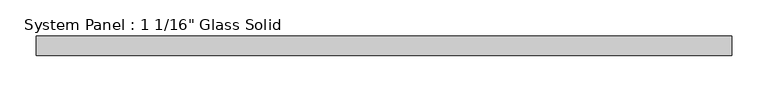
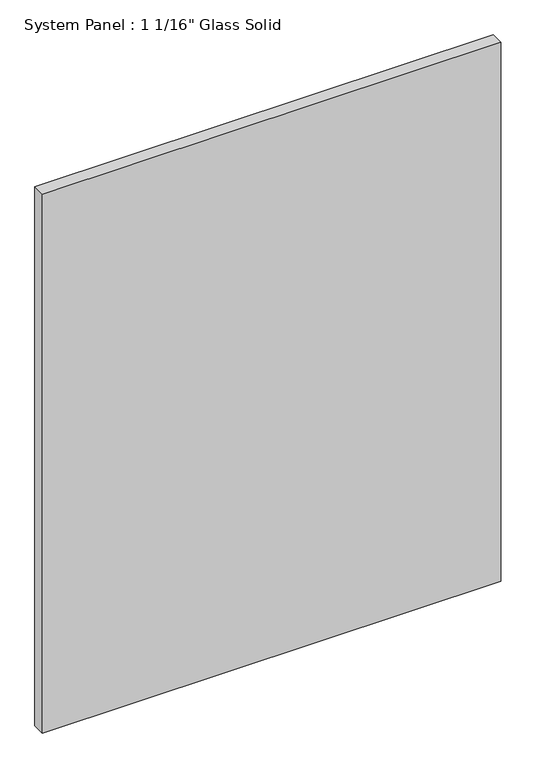
"""IFC4 building model written with IfcOpenShell, lengths in millimetres: plate geometry."""

from ifc_helpers import new_model, si_unit, origin, origin_with_axes, place, context, project, spatial, polyline, outline, extrude, source, transform, mapped, element, save


def plate_cc66d40d(model_context):
    return source(origin(), model_context, "Body", "SweptSolid", [
        extrude(outline(polyline([(480.0055865, -13.49375), (-480.0055865, -13.49375), (-480.0055865, 13.49375), (480.0055865, 13.49375), (480.0055865, -13.49375)])), origin_with_axes(), (0.0, 0.0, 1.0), 1193.8017704),
    ])


if __name__ == "__main__":
    model = new_model("IFC4")
    model_context = context("Model", 3, world=origin())
    ifc_project = project(units=[si_unit("LENGTHUNIT", "METRE", prefix="MILLI")], contexts=[model_context])
    site = spatial("IfcSite", under=ifc_project)
    building = spatial("IfcBuilding", under=site)
    placement = place(None, origin())
    plate_shape = plate_cc66d40d(model_context)
    element("IfcPlate", 1, ObjectType="System Panel : 1 1/16\" Glass Solid", at=placement, inside=building, context=model_context, shape_type="MappedRepresentation", body=[
        mapped(plate_shape, transform((0.0, 0.0, 0.0), x_axis=(1.0, 0.0, 0.0), y_axis=(0.0, 1.0, 0.0), z_axis=(0.0, 0.0, 1.0))),
    ])
    save(model, "model.ifc")
